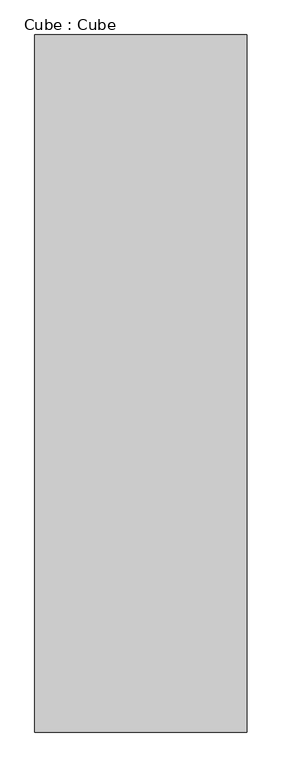
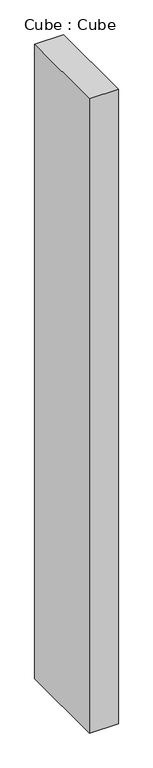
"""IFC4 building model written with IfcOpenShell, lengths in millimetres: proxy geometry, Cube : Cube."""

import ifcopenshell
import ifcopenshell.guid

model = None  # the IFC model being written
_history = None  # IfcOwnerHistory: only IFC2X3 demands one
_inside = {}  # id of a spatial element -> (the spatial element, [elements in it])
_under = {}  # id of a project, library or spatial element -> (it, [spatial elements below it])
_declared = {}  # id of a project -> (the project, [libraries it declares])
_typed = {}  # id of a type object -> (the type object, [elements of that type])
_made_of = {}  # id of a material, layer set ... -> (it, [elements and type objects made of it])


def new_model(schema):
    """Start an empty IFC model of exactly this schema.

    Asked for "IFC4X3", IfcOpenShell would pick the latest addendum, in which some entities
    have other attributes; the version numbers below select the first issue.
    IFC2X3 requires an IfcOwnerHistory on every rooted entity: one is made here for all.
    """
    global model, _history
    if schema == "IFC4X3":
        model = ifcopenshell.file(schema_version=(4, 3, 0, 0))
    else:
        model = ifcopenshell.file(schema=schema)
    _inside.clear()
    _under.clear()
    _declared.clear()
    _typed.clear()
    _made_of.clear()
    _history = None
    if model.schema == "IFC2X3":
        org = make("IfcOrganization", Name="unknown")
        user = make(
            "IfcPersonAndOrganization",
            ThePerson=make("IfcPerson", FamilyName="unknown"),
            TheOrganization=org,
        )
        app = make(
            "IfcApplication",
            ApplicationDeveloper=org,
            Version="unknown",
            ApplicationFullName="unknown",
            ApplicationIdentifier="unknown",
        )
        _history = make(
            "IfcOwnerHistory",
            OwningUser=user,
            OwningApplication=app,
            ChangeAction="ADDED",
            CreationDate=0,
        )
    return model


def make(cls, **values):
    """One entity of the class cls with the attributes given. An attribute that is None is left unset."""
    return model.create_entity(
        cls, **{name: value for name, value in values.items() if value is not None}
    )


def rooted(cls, **values):
    """An entity with a GlobalId (a new one), such as an element, a storey or a relation."""
    return make(cls, GlobalId=ifcopenshell.guid.new(), OwnerHistory=_history, **values)


def si_unit(unit_type, name, prefix=None):
    """IfcSIUnit, for example si_unit("LENGTHUNIT", "METRE", prefix="MILLI")."""
    return make("IfcSIUnit", UnitType=unit_type, Prefix=prefix, Name=name)


def assignment(units):
    """IfcUnitAssignment: the units of a project."""
    return None if units is None else make("IfcUnitAssignment", Units=units)


def point(xyz):
    """IfcCartesianPoint."""
    return None if xyz is None else make("IfcCartesianPoint", Coordinates=xyz)


def direction(xyz):
    """IfcDirection."""
    return None if xyz is None else make("IfcDirection", DirectionRatios=xyz)


def frame(location, z_axis=None, x_axis=None):
    """IfcAxis2Placement3D, a coordinate frame: its origin and axes. An axis left out is left unset."""
    return make(
        "IfcAxis2Placement3D",
        Location=point(location),
        Axis=direction(z_axis),
        RefDirection=direction(x_axis),
    )


def origin():
    """The frame at (0, 0, 0) with its axes left unset."""
    return frame((0.0, 0.0, 0.0))


def origin_with_axes():
    """The frame at (0, 0, 0) with the z axis (0, 0, 1) and the x axis (1, 0, 0) written out."""
    return frame((0.0, 0.0, 0.0), z_axis=(0.0, 0.0, 1.0), x_axis=(1.0, 0.0, 0.0))


def place(relative_to, where):
    """IfcLocalPlacement: puts the frame where relative to a parent placement (None: the world)."""
    return make(
        "IfcLocalPlacement", PlacementRelTo=relative_to, RelativePlacement=where
    )


def context(
    kind, dimensions, precision=None, world=None, true_north=None, identifier=None
):
    """IfcGeometricRepresentationContext, for example the 3D "Model" context."""
    return make(
        "IfcGeometricRepresentationContext",
        ContextIdentifier=identifier,
        ContextType=kind,
        CoordinateSpaceDimension=dimensions,
        Precision=precision,
        WorldCoordinateSystem=world,
        TrueNorth=true_north,
    )


def project(units=None, contexts=None):
    """IfcProject with its units and contexts."""
    return rooted(
        "IfcProject",
        Name="project",
        RepresentationContexts=contexts,
        UnitsInContext=assignment(units),
    )


def spatial(cls, under=None, at=None, **own):
    """A site, building, storey or space (cls), placed at a placement, below another one or the project."""
    s = rooted(cls, ObjectPlacement=at, **own)
    if under is not None:
        _under.setdefault(under.id(), (under, []))[1].append(s)
    return s


def polyline(points):
    """IfcPolyline through the points."""
    return make("IfcPolyline", Points=[point(p) for p in points])


def outline(outer, holes=None, kind="AREA"):
    """IfcArbitraryClosedProfileDef: a profile drawn as a closed curve; with holes, ...WithVoids."""
    if holes is None:
        return make("IfcArbitraryClosedProfileDef", ProfileType=kind, OuterCurve=outer)
    return make(
        "IfcArbitraryProfileDefWithVoids",
        ProfileType=kind,
        OuterCurve=outer,
        InnerCurves=holes,
    )


def extrude(swept, where, along, depth):
    """IfcExtrudedAreaSolid: the profile swept, set in the frame where, extruded along a direction by depth."""
    return make(
        "IfcExtrudedAreaSolid",
        SweptArea=swept,
        Position=where,
        ExtrudedDirection=direction(along),
        Depth=depth,
    )


def shape(context_of_items, identifier, shape_type, items):
    """IfcShapeRepresentation: the items that make up one representation, for example the "Body"."""
    return make(
        "IfcShapeRepresentation",
        ContextOfItems=context_of_items,
        RepresentationIdentifier=identifier,
        RepresentationType=shape_type,
        Items=items,
    )


def source(mapping_origin, context_of_items, identifier, shape_type, items):
    """IfcRepresentationMap: a shape defined once, which mapped items show again and again."""
    return make(
        "IfcRepresentationMap",
        MappingOrigin=mapping_origin,
        MappedRepresentation=shape(context_of_items, identifier, shape_type, items),
    )


def transform(
    local_origin,
    x_axis=None,
    y_axis=None,
    z_axis=None,
    scale=None,
    scale2=None,
    scale3=None,
    uniform=True,
):
    """IfcCartesianTransformationOperator3D, or its non-uniform kind. x_axis, y_axis, z_axis: its Axis1, 2, 3."""
    if uniform:
        return make(
            "IfcCartesianTransformationOperator3D",
            Axis1=direction(x_axis),
            Axis2=direction(y_axis),
            LocalOrigin=point(local_origin),
            Scale=scale,
            Axis3=direction(z_axis),
        )
    return make(
        "IfcCartesianTransformationOperator3DnonUniform",
        Axis1=direction(x_axis),
        Axis2=direction(y_axis),
        LocalOrigin=point(local_origin),
        Scale=scale,
        Axis3=direction(z_axis),
        Scale2=scale2,
        Scale3=scale3,
    )


def mapped(mapping_source, mapping_target):
    """IfcMappedItem: shows the shape of a source again, moved by a transform."""
    return make(
        "IfcMappedItem", MappingSource=mapping_source, MappingTarget=mapping_target
    )


def made_of(thing, what):
    """Note that an element or type object is made of a material, layer set ...; save() writes the relation."""
    if what is not None:
        _made_of.setdefault(what.id(), (what, []))[1].append(thing)
    return thing


def element(
    cls,
    number,
    at=None,
    inside=None,
    cuts=None,
    type_object=None,
    material=None,
    context=None,
    identifier="Body",
    shape_type=None,
    held_by="IfcProductDefinitionShape",
    body=None,
    shapes=None,
    **own,
):
    """One element of the class cls, such as IfcWall. Its Tag is "e" and its number.

    at: its placement. inside: the storey or other place that contains it. cuts: it is an
    opening in that element (IfcRelVoidsElement). A single representation is given by context,
    identifier, shape_type and body (its items); several are given by shapes. held_by: the class
    of the entity that holds the representations. save() writes the other relations.
    """
    e = rooted(cls, Tag="e%d" % number, ObjectPlacement=at, **own)
    if body is not None:
        shapes = [shape(context, identifier, shape_type, body)]
    if shapes is not None:
        e.Representation = make(held_by, Representations=shapes)
    if inside is not None:
        _inside.setdefault(inside.id(), (inside, []))[1].append(e)
    if cuts is not None:
        rooted(
            "IfcRelVoidsElement", RelatingBuildingElement=cuts, RelatedOpeningElement=e
        )
    if type_object is not None:
        _typed.setdefault(type_object.id(), (type_object, []))[1].append(e)
    return made_of(e, material)


def aggregate(whole, parts):
    """IfcRelAggregates: a whole, such as a stair, and the parts it consists of."""
    return rooted("IfcRelAggregates", RelatingObject=whole, RelatedObjects=parts)


def save(model, path):
    """Write the relations noted so far, then the file.

    IfcRelAggregates (storeys below a building ...), IfcRelContainedInSpatialStructure (elements
    in a storey), IfcRelDefinesByType, IfcRelAssociatesMaterial and IfcRelDeclares: one each for
    every whole, place, type object, material and project.
    """
    for whole, parts in _under.values():
        aggregate(whole, parts)
    for where, things in _inside.values():
        rooted(
            "IfcRelContainedInSpatialStructure",
            RelatedElements=things,
            RelatingStructure=where,
        )
    for kind, things in _typed.values():
        rooted("IfcRelDefinesByType", RelatedObjects=things, RelatingType=kind)
    for what, things in _made_of.values():
        rooted("IfcRelAssociatesMaterial", RelatedObjects=things, RelatingMaterial=what)
    for by, libraries in _declared.values():
        rooted("IfcRelDeclares", RelatingContext=by, RelatedDefinitions=libraries)
    model.write(path)


def cube_cube_a1780902(model_context):
    return source(origin(), model_context, "Body", "SweptSolid", [
        extrude(outline(polyline([(335.0875, 1100.0), (335.0875, -1100.0), (-335.0875, -1100.0), (-335.0875, 1100.0), (335.0875, 1100.0)])), origin_with_axes(), (0.0, 0.0, 1.0), 15560.0),
    ])


if __name__ == "__main__":
    model = new_model("IFC4")
    model_context = context("Model", 3, world=origin())
    ifc_project = project(units=[si_unit("LENGTHUNIT", "METRE", prefix="MILLI")], contexts=[model_context])
    site = spatial("IfcSite", under=ifc_project)
    building = spatial("IfcBuilding", under=site)
    placement = place(None, origin())
    cube_cube_shape = cube_cube_a1780902(model_context)
    element("IfcBuildingElementProxy", 1, Name="Cube : Cube", ObjectType="Cube : Cube", at=placement, inside=building, context=model_context, shape_type="MappedRepresentation", body=[
        mapped(cube_cube_shape, transform((0.0, 0.0, 0.0), x_axis=(1.0, 0.0, 0.0), y_axis=(0.0, 1.0, 0.0), z_axis=(0.0, 0.0, 1.0))),
    ])
    save(model, "model.ifc")
